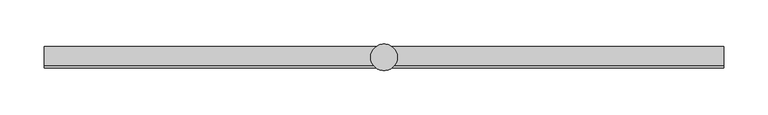
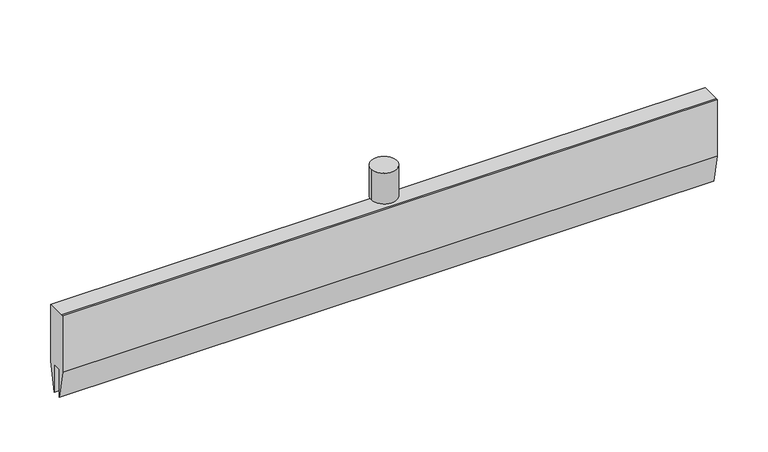
"""IFC4 building model written with IfcOpenShell, lengths in millimetres: proxy geometry."""

import ifcopenshell
import ifcopenshell.guid

model = None  # the IFC model being written
_history = None  # IfcOwnerHistory: only IFC2X3 demands one
_inside = {}  # id of a spatial element -> (the spatial element, [elements in it])
_under = {}  # id of a project, library or spatial element -> (it, [spatial elements below it])
_declared = {}  # id of a project -> (the project, [libraries it declares])
_typed = {}  # id of a type object -> (the type object, [elements of that type])
_made_of = {}  # id of a material, layer set ... -> (it, [elements and type objects made of it])


def new_model(schema):
    """Start an empty IFC model of exactly this schema.

    Asked for "IFC4X3", IfcOpenShell would pick the latest addendum, in which some entities
    have other attributes; the version numbers below select the first issue.
    IFC2X3 requires an IfcOwnerHistory on every rooted entity: one is made here for all.
    """
    global model, _history
    if schema == "IFC4X3":
        model = ifcopenshell.file(schema_version=(4, 3, 0, 0))
    else:
        model = ifcopenshell.file(schema=schema)
    _inside.clear()
    _under.clear()
    _declared.clear()
    _typed.clear()
    _made_of.clear()
    _history = None
    if model.schema == "IFC2X3":
        org = make("IfcOrganization", Name="unknown")
        user = make(
            "IfcPersonAndOrganization",
            ThePerson=make("IfcPerson", FamilyName="unknown"),
            TheOrganization=org,
        )
        app = make(
            "IfcApplication",
            ApplicationDeveloper=org,
            Version="unknown",
            ApplicationFullName="unknown",
            ApplicationIdentifier="unknown",
        )
        _history = make(
            "IfcOwnerHistory",
            OwningUser=user,
            OwningApplication=app,
            ChangeAction="ADDED",
            CreationDate=0,
        )
    return model


def make(cls, **values):
    """One entity of the class cls with the attributes given. An attribute that is None is left unset."""
    return model.create_entity(
        cls, **{name: value for name, value in values.items() if value is not None}
    )


def rooted(cls, **values):
    """An entity with a GlobalId (a new one), such as an element, a storey or a relation."""
    return make(cls, GlobalId=ifcopenshell.guid.new(), OwnerHistory=_history, **values)


def si_unit(unit_type, name, prefix=None):
    """IfcSIUnit, for example si_unit("LENGTHUNIT", "METRE", prefix="MILLI")."""
    return make("IfcSIUnit", UnitType=unit_type, Prefix=prefix, Name=name)


def assignment(units):
    """IfcUnitAssignment: the units of a project."""
    return None if units is None else make("IfcUnitAssignment", Units=units)


def point(xyz):
    """IfcCartesianPoint."""
    return None if xyz is None else make("IfcCartesianPoint", Coordinates=xyz)


def direction(xyz):
    """IfcDirection."""
    return None if xyz is None else make("IfcDirection", DirectionRatios=xyz)


def frame(location, z_axis=None, x_axis=None):
    """IfcAxis2Placement3D, a coordinate frame: its origin and axes. An axis left out is left unset."""
    return make(
        "IfcAxis2Placement3D",
        Location=point(location),
        Axis=direction(z_axis),
        RefDirection=direction(x_axis),
    )


def frame_2d(location, x_axis=None):
    """IfcAxis2Placement2D, a coordinate frame in the plane: its origin and x axis."""
    return make(
        "IfcAxis2Placement2D", Location=point(location), RefDirection=direction(x_axis)
    )


def origin():
    """The frame at (0, 0, 0) with its axes left unset."""
    return frame((0.0, 0.0, 0.0))


def origin_2d():
    """The frame at (0, 0) in the plane with its x axis left unset."""
    return frame_2d((0.0, 0.0))


def place(relative_to, where):
    """IfcLocalPlacement: puts the frame where relative to a parent placement (None: the world)."""
    return make(
        "IfcLocalPlacement", PlacementRelTo=relative_to, RelativePlacement=where
    )


def context(
    kind, dimensions, precision=None, world=None, true_north=None, identifier=None
):
    """IfcGeometricRepresentationContext, for example the 3D "Model" context."""
    return make(
        "IfcGeometricRepresentationContext",
        ContextIdentifier=identifier,
        ContextType=kind,
        CoordinateSpaceDimension=dimensions,
        Precision=precision,
        WorldCoordinateSystem=world,
        TrueNorth=true_north,
    )


def project(units=None, contexts=None):
    """IfcProject with its units and contexts."""
    return rooted(
        "IfcProject",
        Name="project",
        RepresentationContexts=contexts,
        UnitsInContext=assignment(units),
    )


def spatial(cls, under=None, at=None, **own):
    """A site, building, storey or space (cls), placed at a placement, below another one or the project."""
    s = rooted(cls, ObjectPlacement=at, **own)
    if under is not None:
        _under.setdefault(under.id(), (under, []))[1].append(s)
    return s


def polyline(points):
    """IfcPolyline through the points."""
    return make("IfcPolyline", Points=[point(p) for p in points])


def circle_curve(where, radius):
    """IfcCircle in the frame where."""
    return make("IfcCircle", Position=where, Radius=radius)


def trimmed(basis, trim1, trim2, sense, master):
    """IfcTrimmedCurve: the piece of a basis curve between two trims."""
    return make(
        "IfcTrimmedCurve",
        BasisCurve=basis,
        Trim1=trim1,
        Trim2=trim2,
        SenseAgreement=sense,
        MasterRepresentation=master,
    )


def segment(curve, same_sense, transition):
    """IfcCompositeCurveSegment."""
    return make(
        "IfcCompositeCurveSegment",
        Transition=transition,
        SameSense=same_sense,
        ParentCurve=curve,
    )


def composite_curve(segments, self_intersect=None):
    """IfcCompositeCurve: segments joined end to end."""
    return make("IfcCompositeCurve", Segments=segments, SelfIntersect=self_intersect)


def outline(outer, holes=None, kind="AREA"):
    """IfcArbitraryClosedProfileDef: a profile drawn as a closed curve; with holes, ...WithVoids."""
    if holes is None:
        return make("IfcArbitraryClosedProfileDef", ProfileType=kind, OuterCurve=outer)
    return make(
        "IfcArbitraryProfileDefWithVoids",
        ProfileType=kind,
        OuterCurve=outer,
        InnerCurves=holes,
    )


def extrude(swept, where, along, depth):
    """IfcExtrudedAreaSolid: the profile swept, set in the frame where, extruded along a direction by depth."""
    return make(
        "IfcExtrudedAreaSolid",
        SweptArea=swept,
        Position=where,
        ExtrudedDirection=direction(along),
        Depth=depth,
    )


def shape(context_of_items, identifier, shape_type, items):
    """IfcShapeRepresentation: the items that make up one representation, for example the "Body"."""
    return make(
        "IfcShapeRepresentation",
        ContextOfItems=context_of_items,
        RepresentationIdentifier=identifier,
        RepresentationType=shape_type,
        Items=items,
    )


def source(mapping_origin, context_of_items, identifier, shape_type, items):
    """IfcRepresentationMap: a shape defined once, which mapped items show again and again."""
    return make(
        "IfcRepresentationMap",
        MappingOrigin=mapping_origin,
        MappedRepresentation=shape(context_of_items, identifier, shape_type, items),
    )


def transform(
    local_origin,
    x_axis=None,
    y_axis=None,
    z_axis=None,
    scale=None,
    scale2=None,
    scale3=None,
    uniform=True,
):
    """IfcCartesianTransformationOperator3D, or its non-uniform kind. x_axis, y_axis, z_axis: its Axis1, 2, 3."""
    if uniform:
        return make(
            "IfcCartesianTransformationOperator3D",
            Axis1=direction(x_axis),
            Axis2=direction(y_axis),
            LocalOrigin=point(local_origin),
            Scale=scale,
            Axis3=direction(z_axis),
        )
    return make(
        "IfcCartesianTransformationOperator3DnonUniform",
        Axis1=direction(x_axis),
        Axis2=direction(y_axis),
        LocalOrigin=point(local_origin),
        Scale=scale,
        Axis3=direction(z_axis),
        Scale2=scale2,
        Scale3=scale3,
    )


def mapped(mapping_source, mapping_target):
    """IfcMappedItem: shows the shape of a source again, moved by a transform."""
    return make(
        "IfcMappedItem", MappingSource=mapping_source, MappingTarget=mapping_target
    )


def made_of(thing, what):
    """Note that an element or type object is made of a material, layer set ...; save() writes the relation."""
    if what is not None:
        _made_of.setdefault(what.id(), (what, []))[1].append(thing)
    return thing


def element(
    cls,
    number,
    at=None,
    inside=None,
    cuts=None,
    type_object=None,
    material=None,
    context=None,
    identifier="Body",
    shape_type=None,
    held_by="IfcProductDefinitionShape",
    body=None,
    shapes=None,
    **own,
):
    """One element of the class cls, such as IfcWall. Its Tag is "e" and its number.

    at: its placement. inside: the storey or other place that contains it. cuts: it is an
    opening in that element (IfcRelVoidsElement). A single representation is given by context,
    identifier, shape_type and body (its items); several are given by shapes. held_by: the class
    of the entity that holds the representations. save() writes the other relations.
    """
    e = rooted(cls, Tag="e%d" % number, ObjectPlacement=at, **own)
    if body is not None:
        shapes = [shape(context, identifier, shape_type, body)]
    if shapes is not None:
        e.Representation = make(held_by, Representations=shapes)
    if inside is not None:
        _inside.setdefault(inside.id(), (inside, []))[1].append(e)
    if cuts is not None:
        rooted(
            "IfcRelVoidsElement", RelatingBuildingElement=cuts, RelatedOpeningElement=e
        )
    if type_object is not None:
        _typed.setdefault(type_object.id(), (type_object, []))[1].append(e)
    return made_of(e, material)


def aggregate(whole, parts):
    """IfcRelAggregates: a whole, such as a stair, and the parts it consists of."""
    return rooted("IfcRelAggregates", RelatingObject=whole, RelatedObjects=parts)


def save(model, path):
    """Write the relations noted so far, then the file.

    IfcRelAggregates (storeys below a building ...), IfcRelContainedInSpatialStructure (elements
    in a storey), IfcRelDefinesByType, IfcRelAssociatesMaterial and IfcRelDeclares: one each for
    every whole, place, type object, material and project.
    """
    for whole, parts in _under.values():
        aggregate(whole, parts)
    for where, things in _inside.values():
        rooted(
            "IfcRelContainedInSpatialStructure",
            RelatedElements=things,
            RelatingStructure=where,
        )
    for kind, things in _typed.values():
        rooted("IfcRelDefinesByType", RelatedObjects=things, RelatingType=kind)
    for what, things in _made_of.values():
        rooted("IfcRelAssociatesMaterial", RelatedObjects=things, RelatingMaterial=what)
    for by, libraries in _declared.values():
        rooted("IfcRelDeclares", RelatingContext=by, RelatedDefinitions=libraries)
    model.write(path)


def specialty_equipment_ff785058(model_context):
    return source(origin(), model_context, "Body", "SweptSolid", [
        extrude(outline(polyline([(12.0, 49.0), (12.0, -21.0), (5.0, -56.0), (5.0, -21.0), (-5.0, -21.0), (-5.0, -56.0), (-12.0, -21.0), (-12.0, 49.0), (-9.692747, 49.0), (12.0, 49.0)])), frame((-383.3176822, 0.0, 0.0), z_axis=(1.0, 0.0, 0.0), x_axis=(0.0, 1.0, 0.0)), (0.0, 0.0, 1.0), 766.6353644),
        extrude(outline(composite_curve([segment(trimmed(circle_curve(origin_2d(), 4.0), [point((-4.0, 0.0))], [point((4.0, 0.0))], False, "CARTESIAN"), True, "CONTINUOUS"), segment(trimmed(circle_curve(origin_2d(), 4.0), [point((4.0, 0.0))], [point((-4.0, 0.0))], False, "CARTESIAN"), True, "CONTINUOUS")], self_intersect=False)), frame((0.0, 0.0, 49.0), z_axis=(0.0, 0.0, 1.0), x_axis=(1.0, 0.0, 0.0)), (0.0, 0.0, 1.0), 30.0),
        extrude(outline(composite_curve([segment(trimmed(circle_curve(origin_2d(), 15.0), [point((-15.0, 0.0))], [point((15.0, 0.0))], False, "CARTESIAN"), True, "CONTINUOUS"), segment(trimmed(circle_curve(origin_2d(), 15.0), [point((15.0, 0.0))], [point((-15.0, 0.0))], False, "CARTESIAN"), True, "CONTINUOUS")], self_intersect=False)), frame((0.0, 0.0, 57.0), z_axis=(0.0, 0.0, 1.0), x_axis=(1.0, 0.0, 0.0)), (0.0, 0.0, 1.0), 38.0),
    ])


if __name__ == "__main__":
    model = new_model("IFC4")
    model_context = context("Model", 3, world=origin())
    ifc_project = project(units=[si_unit("LENGTHUNIT", "METRE", prefix="MILLI")], contexts=[model_context])
    site = spatial("IfcSite", under=ifc_project)
    building = spatial("IfcBuilding", under=site)
    placement = place(None, origin())
    specialty_equipment_shape = specialty_equipment_ff785058(model_context)
    element("IfcBuildingElementProxy", 1, Name="Specialty Equipment", at=placement, inside=building, context=model_context, shape_type="MappedRepresentation", body=[
        mapped(specialty_equipment_shape, transform((0.0, 0.0, 0.0), x_axis=(1.0, 0.0, 0.0), y_axis=(0.0, 1.0, 0.0), z_axis=(0.0, 0.0, 1.0))),
    ])
    save(model, "model.ifc")
